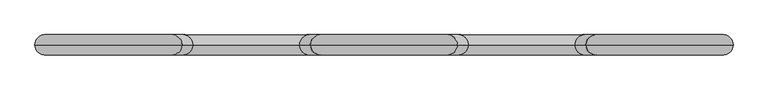
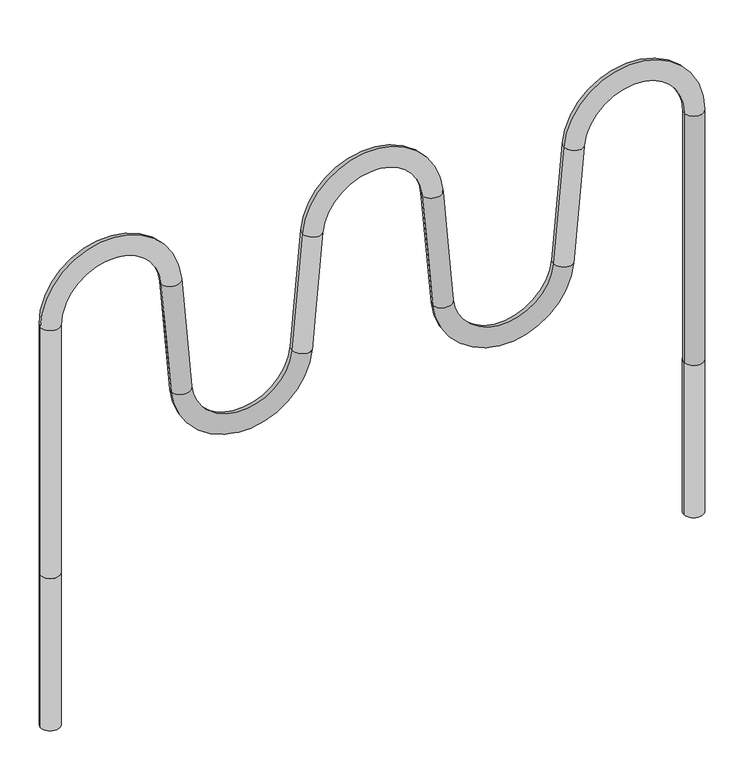
"""IFC4 building model written with IfcOpenShell, lengths in millimetres: furniture geometry."""

import ifcopenshell
import ifcopenshell.guid

model = None  # the IFC model being written
_history = None  # IfcOwnerHistory: only IFC2X3 demands one
_inside = {}  # id of a spatial element -> (the spatial element, [elements in it])
_under = {}  # id of a project, library or spatial element -> (it, [spatial elements below it])
_declared = {}  # id of a project -> (the project, [libraries it declares])
_typed = {}  # id of a type object -> (the type object, [elements of that type])
_made_of = {}  # id of a material, layer set ... -> (it, [elements and type objects made of it])


def new_model(schema):
    """Start an empty IFC model of exactly this schema.

    Asked for "IFC4X3", IfcOpenShell would pick the latest addendum, in which some entities
    have other attributes; the version numbers below select the first issue.
    IFC2X3 requires an IfcOwnerHistory on every rooted entity: one is made here for all.
    """
    global model, _history
    if schema == "IFC4X3":
        model = ifcopenshell.file(schema_version=(4, 3, 0, 0))
    else:
        model = ifcopenshell.file(schema=schema)
    _inside.clear()
    _under.clear()
    _declared.clear()
    _typed.clear()
    _made_of.clear()
    _history = None
    if model.schema == "IFC2X3":
        org = make("IfcOrganization", Name="unknown")
        user = make(
            "IfcPersonAndOrganization",
            ThePerson=make("IfcPerson", FamilyName="unknown"),
            TheOrganization=org,
        )
        app = make(
            "IfcApplication",
            ApplicationDeveloper=org,
            Version="unknown",
            ApplicationFullName="unknown",
            ApplicationIdentifier="unknown",
        )
        _history = make(
            "IfcOwnerHistory",
            OwningUser=user,
            OwningApplication=app,
            ChangeAction="ADDED",
            CreationDate=0,
        )
    return model


def make(cls, **values):
    """One entity of the class cls with the attributes given. An attribute that is None is left unset."""
    return model.create_entity(
        cls, **{name: value for name, value in values.items() if value is not None}
    )


def rooted(cls, **values):
    """An entity with a GlobalId (a new one), such as an element, a storey or a relation."""
    return make(cls, GlobalId=ifcopenshell.guid.new(), OwnerHistory=_history, **values)


def si_unit(unit_type, name, prefix=None):
    """IfcSIUnit, for example si_unit("LENGTHUNIT", "METRE", prefix="MILLI")."""
    return make("IfcSIUnit", UnitType=unit_type, Prefix=prefix, Name=name)


def assignment(units):
    """IfcUnitAssignment: the units of a project."""
    return None if units is None else make("IfcUnitAssignment", Units=units)


def point(xyz):
    """IfcCartesianPoint."""
    return None if xyz is None else make("IfcCartesianPoint", Coordinates=xyz)


def direction(xyz):
    """IfcDirection."""
    return None if xyz is None else make("IfcDirection", DirectionRatios=xyz)


def frame(location, z_axis=None, x_axis=None):
    """IfcAxis2Placement3D, a coordinate frame: its origin and axes. An axis left out is left unset."""
    return make(
        "IfcAxis2Placement3D",
        Location=point(location),
        Axis=direction(z_axis),
        RefDirection=direction(x_axis),
    )


def frame_2d(location, x_axis=None):
    """IfcAxis2Placement2D, a coordinate frame in the plane: its origin and x axis."""
    return make(
        "IfcAxis2Placement2D", Location=point(location), RefDirection=direction(x_axis)
    )


def origin():
    """The frame at (0, 0, 0) with its axes left unset."""
    return frame((0.0, 0.0, 0.0))


def place(relative_to, where):
    """IfcLocalPlacement: puts the frame where relative to a parent placement (None: the world)."""
    return make(
        "IfcLocalPlacement", PlacementRelTo=relative_to, RelativePlacement=where
    )


def context(
    kind, dimensions, precision=None, world=None, true_north=None, identifier=None
):
    """IfcGeometricRepresentationContext, for example the 3D "Model" context."""
    return make(
        "IfcGeometricRepresentationContext",
        ContextIdentifier=identifier,
        ContextType=kind,
        CoordinateSpaceDimension=dimensions,
        Precision=precision,
        WorldCoordinateSystem=world,
        TrueNorth=true_north,
    )


def project(units=None, contexts=None):
    """IfcProject with its units and contexts."""
    return rooted(
        "IfcProject",
        Name="project",
        RepresentationContexts=contexts,
        UnitsInContext=assignment(units),
    )


def spatial(cls, under=None, at=None, **own):
    """A site, building, storey or space (cls), placed at a placement, below another one or the project."""
    s = rooted(cls, ObjectPlacement=at, **own)
    if under is not None:
        _under.setdefault(under.id(), (under, []))[1].append(s)
    return s


def circle_curve(where, radius):
    """IfcCircle in the frame where."""
    return make("IfcCircle", Position=where, Radius=radius)


def ellipse_curve(where, semi_axis1, semi_axis2):
    """IfcEllipse in the frame where."""
    return make(
        "IfcEllipse", Position=where, SemiAxis1=semi_axis1, SemiAxis2=semi_axis2
    )


def trimmed(basis, trim1, trim2, sense, master):
    """IfcTrimmedCurve: the piece of a basis curve between two trims."""
    return make(
        "IfcTrimmedCurve",
        BasisCurve=basis,
        Trim1=trim1,
        Trim2=trim2,
        SenseAgreement=sense,
        MasterRepresentation=master,
    )


def segment(curve, same_sense, transition):
    """IfcCompositeCurveSegment."""
    return make(
        "IfcCompositeCurveSegment",
        Transition=transition,
        SameSense=same_sense,
        ParentCurve=curve,
    )


def composite_curve(segments, self_intersect=None):
    """IfcCompositeCurve: segments joined end to end."""
    return make("IfcCompositeCurve", Segments=segments, SelfIntersect=self_intersect)


def outline(outer, holes=None, kind="AREA"):
    """IfcArbitraryClosedProfileDef: a profile drawn as a closed curve; with holes, ...WithVoids."""
    if holes is None:
        return make("IfcArbitraryClosedProfileDef", ProfileType=kind, OuterCurve=outer)
    return make(
        "IfcArbitraryProfileDefWithVoids",
        ProfileType=kind,
        OuterCurve=outer,
        InnerCurves=holes,
    )


def extrude(swept, where, along, depth):
    """IfcExtrudedAreaSolid: the profile swept, set in the frame where, extruded along a direction by depth."""
    return make(
        "IfcExtrudedAreaSolid",
        SweptArea=swept,
        Position=where,
        ExtrudedDirection=direction(along),
        Depth=depth,
    )


def shape(context_of_items, identifier, shape_type, items):
    """IfcShapeRepresentation: the items that make up one representation, for example the "Body"."""
    return make(
        "IfcShapeRepresentation",
        ContextOfItems=context_of_items,
        RepresentationIdentifier=identifier,
        RepresentationType=shape_type,
        Items=items,
    )


def source(mapping_origin, context_of_items, identifier, shape_type, items):
    """IfcRepresentationMap: a shape defined once, which mapped items show again and again."""
    return make(
        "IfcRepresentationMap",
        MappingOrigin=mapping_origin,
        MappedRepresentation=shape(context_of_items, identifier, shape_type, items),
    )


def transform(
    local_origin,
    x_axis=None,
    y_axis=None,
    z_axis=None,
    scale=None,
    scale2=None,
    scale3=None,
    uniform=True,
):
    """IfcCartesianTransformationOperator3D, or its non-uniform kind. x_axis, y_axis, z_axis: its Axis1, 2, 3."""
    if uniform:
        return make(
            "IfcCartesianTransformationOperator3D",
            Axis1=direction(x_axis),
            Axis2=direction(y_axis),
            LocalOrigin=point(local_origin),
            Scale=scale,
            Axis3=direction(z_axis),
        )
    return make(
        "IfcCartesianTransformationOperator3DnonUniform",
        Axis1=direction(x_axis),
        Axis2=direction(y_axis),
        LocalOrigin=point(local_origin),
        Scale=scale,
        Axis3=direction(z_axis),
        Scale2=scale2,
        Scale3=scale3,
    )


def mapped(mapping_source, mapping_target):
    """IfcMappedItem: shows the shape of a source again, moved by a transform."""
    return make(
        "IfcMappedItem", MappingSource=mapping_source, MappingTarget=mapping_target
    )


def made_of(thing, what):
    """Note that an element or type object is made of a material, layer set ...; save() writes the relation."""
    if what is not None:
        _made_of.setdefault(what.id(), (what, []))[1].append(thing)
    return thing


def element(
    cls,
    number,
    at=None,
    inside=None,
    cuts=None,
    type_object=None,
    material=None,
    context=None,
    identifier="Body",
    shape_type=None,
    held_by="IfcProductDefinitionShape",
    body=None,
    shapes=None,
    **own,
):
    """One element of the class cls, such as IfcWall. Its Tag is "e" and its number.

    at: its placement. inside: the storey or other place that contains it. cuts: it is an
    opening in that element (IfcRelVoidsElement). A single representation is given by context,
    identifier, shape_type and body (its items); several are given by shapes. held_by: the class
    of the entity that holds the representations. save() writes the other relations.
    """
    e = rooted(cls, Tag="e%d" % number, ObjectPlacement=at, **own)
    if body is not None:
        shapes = [shape(context, identifier, shape_type, body)]
    if shapes is not None:
        e.Representation = make(held_by, Representations=shapes)
    if inside is not None:
        _inside.setdefault(inside.id(), (inside, []))[1].append(e)
    if cuts is not None:
        rooted(
            "IfcRelVoidsElement", RelatingBuildingElement=cuts, RelatedOpeningElement=e
        )
    if type_object is not None:
        _typed.setdefault(type_object.id(), (type_object, []))[1].append(e)
    return made_of(e, material)


def aggregate(whole, parts):
    """IfcRelAggregates: a whole, such as a stair, and the parts it consists of."""
    return rooted("IfcRelAggregates", RelatingObject=whole, RelatedObjects=parts)


def save(model, path):
    """Write the relations noted so far, then the file.

    IfcRelAggregates (storeys below a building ...), IfcRelContainedInSpatialStructure (elements
    in a storey), IfcRelDefinesByType, IfcRelAssociatesMaterial and IfcRelDeclares: one each for
    every whole, place, type object, material and project.
    """
    for whole, parts in _under.values():
        aggregate(whole, parts)
    for where, things in _inside.values():
        rooted(
            "IfcRelContainedInSpatialStructure",
            RelatedElements=things,
            RelatingStructure=where,
        )
    for kind, things in _typed.values():
        rooted("IfcRelDefinesByType", RelatedObjects=things, RelatingType=kind)
    for what, things in _made_of.values():
        rooted("IfcRelAssociatesMaterial", RelatedObjects=things, RelatingMaterial=what)
    for by, libraries in _declared.values():
        rooted("IfcRelDeclares", RelatingContext=by, RelatedDefinitions=libraries)
    model.write(path)


def plane_surface(at):
    """IfcPlane: the flat surface through the origin of the frame at, square to its z axis."""
    return make("IfcPlane", Position=at)


def cylinder_surface(at, radius):
    """IfcCylindricalSurface: all points at the distance radius from the z axis of the frame at."""
    return make("IfcCylindricalSurface", Position=at, Radius=radius)


def revolved_surface(curve, axis_point, axis_direction):
    """IfcSurfaceOfRevolution: the curve turned about the line through axis_point along axis_direction."""
    return make(
        "IfcSurfaceOfRevolution",
        SweptCurve=make("IfcArbitraryOpenProfileDef", ProfileType="CURVE", Curve=curve),
        AxisPosition=make("IfcAxis1Placement", Location=point(axis_point), Axis=direction(axis_direction)),
    )


def advanced_brep(points, edges, surfaces, faces):
    """IfcAdvancedBrep: a solid bounded by faces that lie on surfaces and meet in shared edges.

    An edge is (start, end): straight between two places in points (the first is 0);
    or (start, end, curve); or (start, end, curve, False) where it runs against its curve.
    A face is (place in surfaces, loops), or (place, loops, False) where it looks against
    its surface's normal. A loop lists edges by number (the first is 1), with a minus sign
    where the edge is run from its end to its start. The first loop is the outer one.
    """
    corners = [point(p) for p in points]
    vertices = [make("IfcVertexPoint", VertexGeometry=c) for c in corners]
    made = []
    for start, end, *more in edges:
        made.append(
            make(
                "IfcEdgeCurve",
                EdgeStart=vertices[start],
                EdgeEnd=vertices[end],
                EdgeGeometry=more[0] if more else make("IfcPolyline", Points=[corners[start], corners[end]]),
                SameSense=more[1] if len(more) > 1 else True,
            )
        )
    hull = []
    for where, loops, *sense in faces:
        bounds = []
        for j, loop in enumerate(loops):
            ring = [make("IfcOrientedEdge", EdgeElement=made[abs(k) - 1], Orientation=k > 0) for k in loop]
            bounds.append(
                make(
                    "IfcFaceOuterBound" if j == 0 else "IfcFaceBound",
                    Bound=make("IfcEdgeLoop", EdgeList=ring),
                    Orientation=True,
                )
            )
        hull.append(make("IfcAdvancedFace", Bounds=bounds, FaceSurface=surfaces[where], SameSense=sense[0] if sense else True))
    return make("IfcAdvancedBrep", Outer=make("IfcClosedShell", CfsFaces=hull))


def furniture_a0cde4bc(model_context):
    return source(origin(), model_context, "Body", "SolidModel", [
        advanced_brep(
        [(-823.9385724, 0.0, 0.0), (-775.9385724, 0.0, 0.0), (-823.9385724, 0.0, 651.0537873), (-775.9385724, 0.0, 651.0537873), (-524.3863084, 0.0, 662.0367963), (-476.5689629, 0.0, 666.220272), (-450.9462025, 0.0, 373.3507809), (-498.763548, 0.0, 369.1673052), (-151.5533739, 0.0, 369.1673052), (-199.3707194, 0.0, 373.3507809), (-173.3676201, 0.0, 670.5675661), (-125.5502746, 0.0, 666.3840905), (824.3288789, 0.0, 0.0), (776.3288789, 0.0, 0.0), (125.5502746, 0.0, 666.3840905), (173.3676201, 0.0, 670.5675661), (199.3707194, 0.0, 373.3507809), (151.5533739, 0.0, 369.1673052), (498.763548, 0.0, 369.1673052), (450.9462025, 0.0, 373.3507809), (476.9592694, 0.0, 670.681496), (524.7766149, 0.0, 666.4980203), (776.3288789, 0.0, 655.5150113), (824.3288789, 0.0, 655.5150113)],
        [
            (0, 1, circle_curve(frame((-799.9385724, 0.0, 0.0), z_axis=(0.0, 0.0, -1.0), x_axis=(1.0, 0.0, 0.0)), 24.0)),
            (1, 0, circle_curve(frame((-799.9385724, 0.0, 0.0), z_axis=(0.0, 0.0, -1.0), x_axis=(1.0, 0.0, 0.0)), 24.0)),
            (0, 2),
            (2, 3, circle_curve(frame((-799.9385724, 0.0, 651.0537873), z_axis=(0.0, 0.0, -1.0), x_axis=(1.0, 0.0, 0.0)), 24.0)),
            (3, 1),
            (3, 2, circle_curve(frame((-799.9385724, 0.0, 651.0537873), z_axis=(0.0, 0.0, -1.0), x_axis=(1.0, 0.0, 0.0)), 24.0)),
            (4, 3, circle_curve(frame((-649.9226761, 0.0, 651.0537873), z_axis=(0.0, -1.0, 0.0), x_axis=(-1.0, 0.0, 0.0)), 126.0158963)),
            (2, 5, circle_curve(frame((-649.9226761, 0.0, 651.0537873), z_axis=(0.0, 1.0, 0.0), x_axis=(-1.0, 0.0, 0.0)), 174.0158963)),
            (5, 4, circle_curve(frame((-500.4776356, 0.0, 664.1285341), z_axis=(-0.08715574274766273, 0.0, 0.9961946980917452), x_axis=(-0.9961946980917452, 0.0, -0.08715574274766273)), 24.0)),
            (4, 5, circle_curve(frame((-500.4776356, 0.0, 664.1285341), z_axis=(-0.08715574274766186, 0.0, 0.9961946980917452), x_axis=(-0.9961946980917452, 0.0, -0.08715574274766186)), 24.0)),
            (5, 6),
            (6, 7, circle_curve(frame((-474.8548753, 0.0, 371.2590431), z_axis=(-0.0871557427476564, 0.0, 0.9961946980917457), x_axis=(-0.9961946980917457, 0.0, -0.0871557427476564)), 24.0)),
            (7, 4),
            (7, 6, circle_curve(frame((-474.8548753, 0.0, 371.2590431), z_axis=(-0.0871557427476564, 0.0, 0.9961946980917457), x_axis=(-0.9961946980917457, 0.0, -0.0871557427476564)), 24.0)),
            (8, 7, circle_curve(frame((-325.1584609, 0.0, 384.3557823), z_axis=(0.0, 1.0, 0.0), x_axis=(-0.9961946980917463, 0.0, -0.0871557427476491)), 174.2682303)),
            (6, 9, circle_curve(frame((-325.1584609, 0.0, 384.3557823), z_axis=(0.0, -1.0, 0.0), x_axis=(-0.9961946980917463, 0.0, -0.0871557427476491)), 126.2682303)),
            (9, 8, circle_curve(frame((-175.4620466, 0.0, 371.2590431), z_axis=(-0.08715574274765349, 0.0, -0.996194698091746), x_axis=(0.996194698091746, 0.0, -0.08715574274765349)), 24.0)),
            (8, 9, circle_curve(frame((-175.4620466, 0.0, 371.2590431), z_axis=(-0.08715574274765661, 0.0, -0.9961946980917457), x_axis=(0.9961946980917457, 0.0, -0.08715574274765661)), 24.0)),
            (9, 10),
            (10, 11, circle_curve(frame((-149.4589473, 0.0, 668.4758283), z_axis=(-0.08715574274765646, 0.0, -0.9961946980917457), x_axis=(0.9961946980917457, 0.0, -0.08715574274765646)), 24.0)),
            (11, 8),
            (11, 10, circle_curve(frame((-149.4589473, 0.0, 668.4758283), z_axis=(-0.08715574274765646, 0.0, -0.9961946980917457), x_axis=(0.9961946980917457, 0.0, -0.08715574274765646)), 24.0)),
            (12, 13, circle_curve(frame((800.3288789, 0.0, 0.0), z_axis=(0.0, 0.0, -1.0), x_axis=(-1.0, 0.0, 0.0)), 24.0)),
            (13, 12, circle_curve(frame((800.3288789, 0.0, 0.0), z_axis=(0.0, 0.0, -1.0), x_axis=(-1.0, 0.0, 0.0)), 24.0)),
            (14, 11, circle_curve(frame((0.0, 0.0, 655.3998647), z_axis=(0.0, -1.0, 0.0), x_axis=(-0.9961946980917462, 0.0, 0.08715574274764999)), 126.0298562)),
            (10, 15, circle_curve(frame((0.0, 0.0, 655.3998647), z_axis=(0.0, 1.0, 0.0), x_axis=(-0.9961946980917462, 0.0, 0.08715574274764999)), 174.0298562)),
            (15, 14, circle_curve(frame((149.4589473, 0.0, 668.4758283), z_axis=(-0.08715574274766313, 0.0, 0.996194698091745), x_axis=(-0.996194698091745, 0.0, -0.08715574274766313)), 24.0)),
            (14, 15, circle_curve(frame((149.4589473, 0.0, 668.4758283), z_axis=(-0.0871557427476618, 0.0, 0.9961946980917451), x_axis=(-0.9961946980917451, 0.0, -0.0871557427476618)), 24.0)),
            (15, 16),
            (16, 17, circle_curve(frame((175.4620466, 0.0, 371.2590431), z_axis=(-0.08715574274765636, 0.0, 0.9961946980917458), x_axis=(-0.9961946980917458, 0.0, -0.08715574274765636)), 24.0)),
            (17, 14),
            (17, 16, circle_curve(frame((175.4620466, 0.0, 371.2590431), z_axis=(-0.08715574274765636, 0.0, 0.9961946980917458), x_axis=(-0.9961946980917458, 0.0, -0.08715574274765636)), 24.0)),
            (18, 17, circle_curve(frame((325.1584609, 0.0, 384.3557823), z_axis=(0.0, 1.0, 0.0), x_axis=(-0.9961946980917458, 0.0, -0.0871557427476561)), 174.2682303)),
            (16, 19, circle_curve(frame((325.1584609, 0.0, 384.3557823), z_axis=(0.0, -1.0, 0.0), x_axis=(-0.9961946980917458, 0.0, -0.0871557427476561)), 126.2682303)),
            (19, 18, circle_curve(frame((474.8548753, 0.0, 371.2590431), z_axis=(-0.08715574274765714, 0.0, -0.9961946980917457), x_axis=(0.9961946980917457, 0.0, -0.08715574274765714)), 24.0)),
            (18, 19, circle_curve(frame((474.8548753, 0.0, 371.2590431), z_axis=(-0.08715574274765672, 0.0, -0.9961946980917458), x_axis=(0.9961946980917458, 0.0, -0.08715574274765672)), 24.0)),
            (19, 20),
            (20, 21, circle_curve(frame((500.8679421, 0.0, 668.5897581), z_axis=(-0.0871557427476565, 0.0, -0.9961946980917458), x_axis=(0.9961946980917458, 0.0, -0.0871557427476565)), 24.0)),
            (21, 18),
            (21, 20, circle_curve(frame((500.8679421, 0.0, 668.5897581), z_axis=(-0.0871557427476565, 0.0, -0.9961946980917458), x_axis=(0.9961946980917458, 0.0, -0.0871557427476565)), 24.0)),
            (22, 21, circle_curve(frame((650.3129826, 0.0, 655.5150113), z_axis=(0.0, -1.0, 0.0), x_axis=(-0.9961946980917458, 0.0, 0.08715574274765542)), 126.0158963)),
            (20, 23, circle_curve(frame((650.3129826, 0.0, 655.5150113), z_axis=(0.0, 1.0, 0.0), x_axis=(-0.9961946980917458, 0.0, 0.08715574274765542)), 174.0158963)),
            (23, 22, circle_curve(frame((800.3288789, 0.0, 655.5150113), z_axis=(0.0, 0.0, 1.0), x_axis=(-1.0, 0.0, 0.0)), 24.0)),
            (22, 23, circle_curve(frame((800.3288789, 0.0, 655.5150113), z_axis=(0.0, 0.0, 1.0), x_axis=(-1.0, 0.0, 0.0)), 24.0)),
            (23, 12),
            (13, 22),
        ],
        [
            plane_surface(frame((-775.9385724, 0.0, 0.0), z_axis=(0.0, 0.0, -1.0), x_axis=(0.0, -1.0, 0.0))),
            cylinder_surface(frame((-799.9385724, 0.0, 0.0), z_axis=(0.0, 0.0, -1.0), x_axis=(1.0, 0.0, 0.0)), 24.0),
            revolved_surface(trimmed(ellipse_curve(frame((-799.9385724, 0.0, 651.0537873), z_axis=(0.0, 0.0, -1.0), x_axis=(1.0, 0.0, 0.0)), 24.0, 24.0), [point((-823.9385724, 0.0, 651.0537873))], [point((-775.9385724, 0.0, 651.0537873))], True, "CARTESIAN"), (-649.9226761, 0.0, 651.0537873), (0.0, 1.0, 0.0)),
            revolved_surface(trimmed(ellipse_curve(frame((-799.9385724, 0.0, 651.0537873), z_axis=(0.0, 0.0, -1.0), x_axis=(1.0, 0.0, 0.0)), 24.0, 24.0), [point((-775.9385724, 0.0, 651.0537873))], [point((-823.9385724, 0.0, 651.0537873))], True, "CARTESIAN"), (-649.9226761, 0.0, 651.0537873), (0.0, 1.0, 0.0)),
            cylinder_surface(frame((-500.4776356, 0.0, 664.1285341), z_axis=(-0.0871557427476564, 0.0, 0.9961946980917457), x_axis=(-0.9961946980917457, 0.0, -0.0871557427476564)), 24.0),
            revolved_surface(trimmed(ellipse_curve(frame((-474.8548753, 0.0, 371.2590431), z_axis=(-0.08715574274764905, 0.0, 0.9961946980917463), x_axis=(-0.9961946980917463, 0.0, -0.08715574274764905)), 24.0, 24.0), [point((-450.9462025, 0.0, 373.3507809))], [point((-498.763548, 0.0, 369.1673052))], True, "CARTESIAN"), (-325.1584609, 0.0, 384.3557823), (0.0, -1.0, 0.0)),
            revolved_surface(trimmed(ellipse_curve(frame((-474.8548753, 0.0, 371.2590431), z_axis=(-0.08715574274764905, 0.0, 0.9961946980917463), x_axis=(-0.9961946980917463, 0.0, -0.08715574274764905)), 24.0, 24.0), [point((-498.763548, 0.0, 369.1673052))], [point((-450.9462025, 0.0, 373.3507809))], True, "CARTESIAN"), (-325.1584609, 0.0, 384.3557823), (0.0, -1.0, 0.0)),
            cylinder_surface(frame((-175.4620466, 0.0, 371.2590431), z_axis=(-0.08715574274765646, 0.0, -0.9961946980917457), x_axis=(0.9961946980917457, 0.0, -0.08715574274765646)), 24.0),
            plane_surface(frame((776.3288789, 0.0, 0.0), z_axis=(0.0, 0.0, -1.0), x_axis=(0.0, -1.0, 0.0))),
            revolved_surface(trimmed(ellipse_curve(frame((-149.4589473, 0.0, 668.4758283), z_axis=(-0.08715574274765002, 0.0, -0.9961946980917462), x_axis=(0.9961946980917462, 0.0, -0.08715574274765002)), 24.0, 24.0), [point((-173.3676201, 0.0, 670.5675661))], [point((-125.5502746, 0.0, 666.3840905))], True, "CARTESIAN"), (0.0, 0.0, 655.3998647), (0.0, 1.0, 0.0)),
            revolved_surface(trimmed(ellipse_curve(frame((-149.4589473, 0.0, 668.4758283), z_axis=(-0.08715574274765002, 0.0, -0.9961946980917462), x_axis=(0.9961946980917462, 0.0, -0.08715574274765002)), 24.0, 24.0), [point((-125.5502746, 0.0, 666.3840905))], [point((-173.3676201, 0.0, 670.5675661))], True, "CARTESIAN"), (0.0, 0.0, 655.3998647), (0.0, 1.0, 0.0)),
            cylinder_surface(frame((149.4589473, 0.0, 668.4758283), z_axis=(-0.08715574274765636, 0.0, 0.9961946980917458), x_axis=(-0.9961946980917458, 0.0, -0.08715574274765636)), 24.0),
            revolved_surface(trimmed(ellipse_curve(frame((175.4620466, 0.0, 371.2590431), z_axis=(-0.08715574274765601, 0.0, 0.9961946980917458), x_axis=(-0.9961946980917458, 0.0, -0.08715574274765601)), 24.0, 24.0), [point((199.3707194, 0.0, 373.3507809))], [point((151.5533739, 0.0, 369.1673052))], True, "CARTESIAN"), (325.1584609, 0.0, 384.3557823), (0.0, -1.0, 0.0)),
            revolved_surface(trimmed(ellipse_curve(frame((175.4620466, 0.0, 371.2590431), z_axis=(-0.08715574274765601, 0.0, 0.9961946980917458), x_axis=(-0.9961946980917458, 0.0, -0.08715574274765601)), 24.0, 24.0), [point((151.5533739, 0.0, 369.1673052))], [point((199.3707194, 0.0, 373.3507809))], True, "CARTESIAN"), (325.1584609, 0.0, 384.3557823), (0.0, -1.0, 0.0)),
            cylinder_surface(frame((474.8548753, 0.0, 371.2590431), z_axis=(-0.0871557427476565, 0.0, -0.9961946980917458), x_axis=(0.9961946980917458, 0.0, -0.0871557427476565)), 24.0),
            revolved_surface(trimmed(ellipse_curve(frame((500.8679421, 0.0, 668.5897581), z_axis=(-0.08715574274765545, 0.0, -0.9961946980917458), x_axis=(0.9961946980917458, 0.0, -0.08715574274765545)), 24.0, 24.0), [point((476.9592694, 0.0, 670.681496))], [point((524.7766149, 0.0, 666.4980203))], True, "CARTESIAN"), (650.3129826, 0.0, 655.5150113), (0.0, 1.0, 0.0)),
            revolved_surface(trimmed(ellipse_curve(frame((500.8679421, 0.0, 668.5897581), z_axis=(-0.08715574274765545, 0.0, -0.9961946980917458), x_axis=(0.9961946980917458, 0.0, -0.08715574274765545)), 24.0, 24.0), [point((524.7766149, 0.0, 666.4980203))], [point((476.9592694, 0.0, 670.681496))], True, "CARTESIAN"), (650.3129826, 0.0, 655.5150113), (0.0, 1.0, 0.0)),
            cylinder_surface(frame((800.3288789, 0.0, 655.5150113), z_axis=(0.0, 0.0, 1.0), x_axis=(-1.0, 0.0, 0.0)), 24.0),
        ],
        [
            (0, [[1, 2]]),
            (1, [[-1, 3, 4, 5]]),
            (1, [[-2, -5, 6, -3]]),
            (2, [[7, -4, 8, 9]]),
            (3, [[-8, -6, -7, 10]]),
            (4, [[-9, 11, 12, 13]]),
            (4, [[-10, -13, 14, -11]]),
            (5, [[15, -12, 16, 17]]),
            (6, [[-16, -14, -15, 18]]),
            (7, [[-17, 19, 20, 21]]),
            (7, [[-18, -21, 22, -19]]),
            (8, [[23, 24]]),
            (9, [[25, -20, 26, 27]]),
            (10, [[-26, -22, -25, 28]]),
            (11, [[-27, 29, 30, 31]]),
            (11, [[-28, -31, 32, -29]]),
            (12, [[33, -30, 34, 35]]),
            (13, [[-34, -32, -33, 36]]),
            (14, [[-35, 37, 38, 39]]),
            (14, [[-36, -39, 40, -37]]),
            (15, [[41, -38, 42, 43]]),
            (16, [[-42, -40, -41, 44]]),
            (17, [[-43, 45, -24, 46]]),
            (17, [[-44, -46, -23, -45]]),
        ],
    ),
        extrude(outline(composite_curve([segment(trimmed(circle_curve(frame_2d((799.9385724, 0.0)), 24.0), [point((823.9385724, 0.0))], [point((775.9385724, 0.0))], False, "CARTESIAN"), True, "CONTINUOUS"), segment(trimmed(circle_curve(frame_2d((799.9385724, 0.0)), 24.0), [point((775.9385724, 0.0))], [point((823.9385724, 0.0))], False, "CARTESIAN"), True, "CONTINUOUS")], self_intersect=False)), frame((0.0, 0.0, -400.0), z_axis=(0.0, 0.0, 1.0), x_axis=(1.0, 0.0, 0.0)), (0.0, 0.0, 1.0), 400.0),
        extrude(outline(composite_curve([segment(trimmed(circle_curve(frame_2d((-799.9385724, 0.0)), 24.0), [point((-823.9385724, 0.0))], [point((-775.9385724, 0.0))], False, "CARTESIAN"), True, "CONTINUOUS"), segment(trimmed(circle_curve(frame_2d((-799.9385724, 0.0)), 24.0), [point((-775.9385724, 0.0))], [point((-823.9385724, 0.0))], False, "CARTESIAN"), True, "CONTINUOUS")], self_intersect=False)), frame((0.0, 0.0, -400.0), z_axis=(0.0, 0.0, 1.0), x_axis=(1.0, 0.0, 0.0)), (0.0, 0.0, 1.0), 400.0),
    ])


if __name__ == "__main__":
    model = new_model("IFC4")
    model_context = context("Model", 3, world=origin())
    ifc_project = project(units=[si_unit("LENGTHUNIT", "METRE", prefix="MILLI")], contexts=[model_context])
    site = spatial("IfcSite", under=ifc_project)
    building = spatial("IfcBuilding", under=site)
    placement = place(None, origin())
    furniture_shape = furniture_a0cde4bc(model_context)
    element("IfcFurniture", 1, at=placement, inside=building, context=model_context, shape_type="MappedRepresentation", body=[
        mapped(furniture_shape, transform((0.0, 0.0, 0.0), x_axis=(1.0, 0.0, 0.0), y_axis=(0.0, 1.0, 0.0), z_axis=(0.0, 0.0, 1.0))),
    ])
    save(model, "model.ifc")
